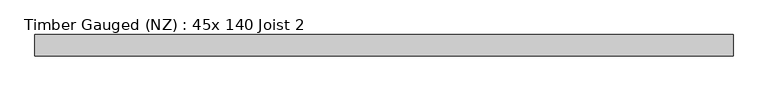
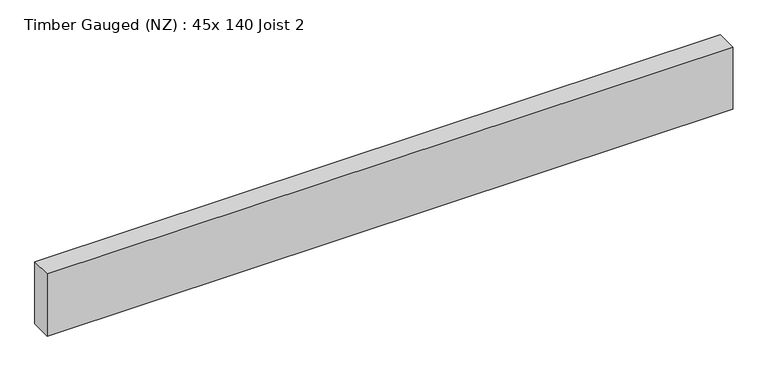
"""IFC4 building model written with IfcOpenShell, lengths in millimetres: beam geometry, Timber Gauged (NZ) : 45x 140 Joist 2."""

from ifc_helpers import new_model, si_unit, frame, origin, place, context, project, spatial, polyline, outline, extrude, source, transform, mapped, element, save


def timber_gauged_nz_45x_140_joist_2_37cf0c02(model_context):
    return source(origin(), model_context, "Body", "SweptSolid", [
        extrude(outline(polyline([(738.7950367, -22.5), (-719.1841807, -22.5), (-719.1841807, 22.5), (738.7950367, 22.5), (738.7950367, -22.5)])), frame((0.0, 0.0, -70.0), z_axis=(0.0, 0.0, 1.0), x_axis=(1.0, 0.0, 0.0)), (0.0, 0.0, 1.0), 140.0),
    ])


if __name__ == "__main__":
    model = new_model("IFC4")
    model_context = context("Model", 3, world=origin())
    ifc_project = project(units=[si_unit("LENGTHUNIT", "METRE", prefix="MILLI")], contexts=[model_context])
    site = spatial("IfcSite", under=ifc_project)
    building = spatial("IfcBuilding", under=site)
    placement = place(None, origin())
    timber_gauged_nz_45x_140_joist_2_shape = timber_gauged_nz_45x_140_joist_2_37cf0c02(model_context)
    element("IfcBeam", 1, ObjectType="Timber Gauged (NZ) : 45x 140 Joist 2", at=placement, inside=building, context=model_context, shape_type="MappedRepresentation", body=[
        mapped(timber_gauged_nz_45x_140_joist_2_shape, transform((0.0, 0.0, 0.0), x_axis=(1.0, 0.0, 0.0), y_axis=(0.0, 1.0, 0.0), z_axis=(0.0, 0.0, 1.0))),
    ])
    save(model, "model.ifc")
